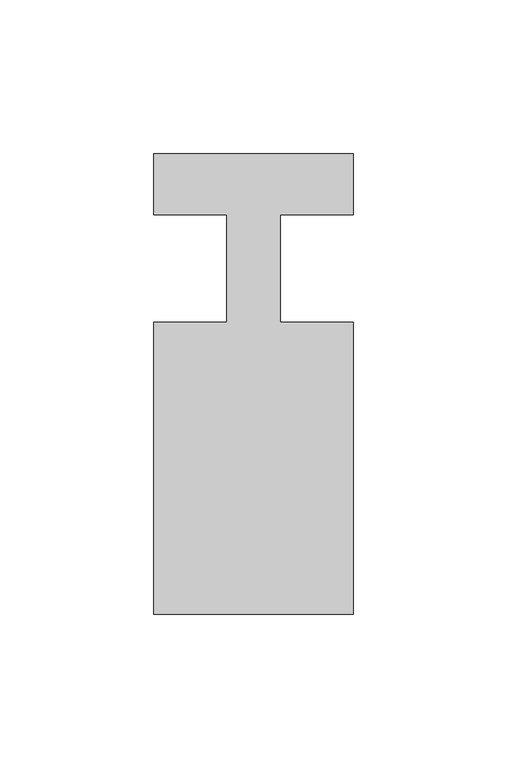
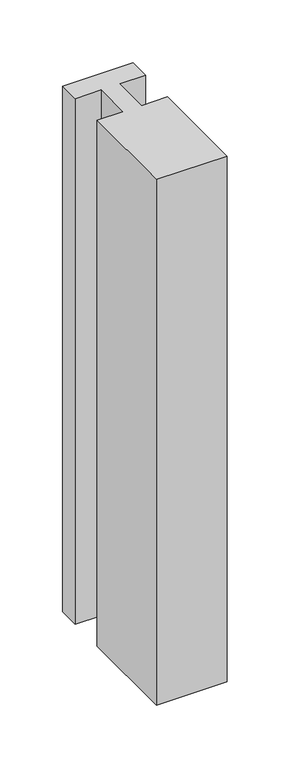
"""IFC4 building model written with IfcOpenShell, lengths in millimetres: member geometry."""

from ifc_helpers import new_model, si_unit, frame, origin, place, context, project, spatial, polyline, outline, extrude, source, transform, mapped, element, save


def member_7b6e67d5(model_context):
    return source(origin(), model_context, "Body", "SweptSolid", [
        extrude(outline(polyline([(-65.0, 37.0), (0.0, 37.0), (0.0, 17.0), (-23.8125, 17.0), (-23.8125, -18.0), (0.0, -18.0), (0.0, -113.0), (-65.0, -113.0), (-65.0, -18.0), (-41.1875, -18.0), (-41.1875, 17.0), (-65.0, 17.0), (-65.0, 37.0)])), frame((0.0, 0.0, -511.90625), z_axis=(0.0, 0.0, 1.0), x_axis=(1.0, 0.0, 0.0)), (0.0, 0.0, 1.0), 511.90625),
    ])


if __name__ == "__main__":
    model = new_model("IFC4")
    model_context = context("Model", 3, world=origin())
    ifc_project = project(units=[si_unit("LENGTHUNIT", "METRE", prefix="MILLI")], contexts=[model_context])
    site = spatial("IfcSite", under=ifc_project)
    building = spatial("IfcBuilding", under=site)
    placement = place(None, origin())
    member_shape = member_7b6e67d5(model_context)
    element("IfcMember", 1, at=placement, inside=building, context=model_context, shape_type="MappedRepresentation", body=[
        mapped(member_shape, transform((0.0, 0.0, 0.0), x_axis=(1.0, 0.0, 0.0), y_axis=(0.0, 1.0, 0.0), z_axis=(0.0, 0.0, 1.0))),
    ])
    save(model, "model.ifc")
